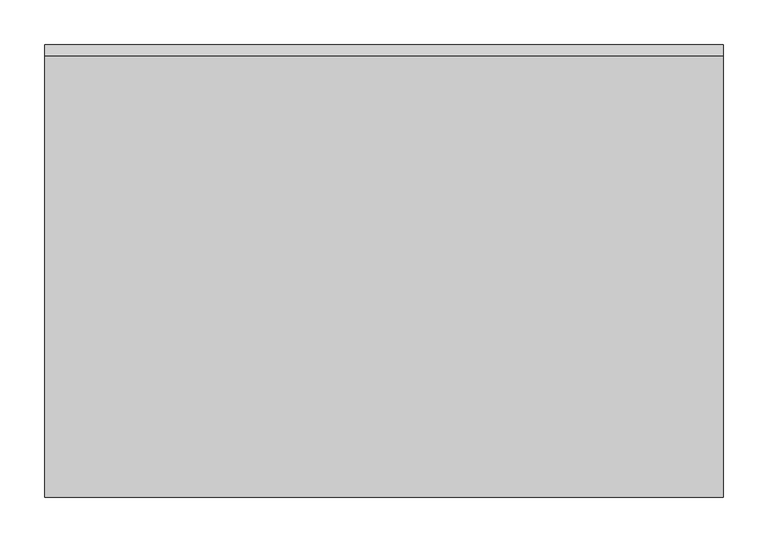
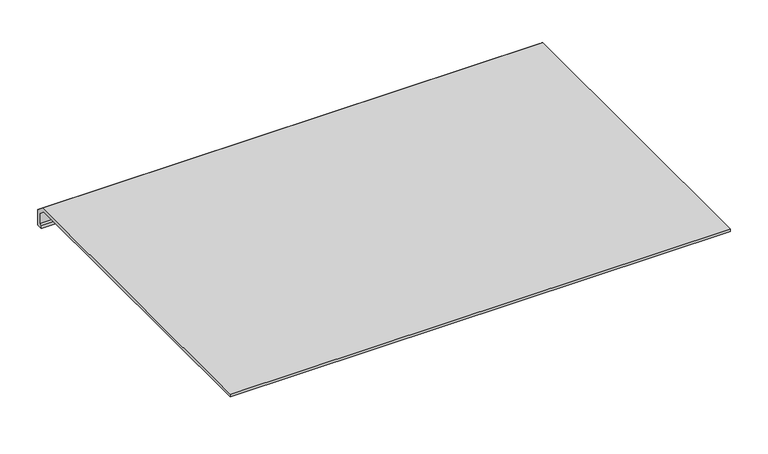
"""IFC4 building model written with IfcOpenShell, lengths in millimetres: furniture geometry."""

from ifc_helpers import new_model, si_unit, frame, origin, place, context, project, spatial, polyline, outline, extrude, source, transform, mapped, element, save


def furniture_7654c998(model_context):
    return source(origin(), model_context, "Body", "SweptSolid", [
        extrude(outline(polyline([(592.5968004, 736.8979469), (597.0693135, 736.8979469), (597.0693135, 753.5672056), (585.9028639, 762.2413128), (93.9949831, 762.2413128), (93.9949831, 767.0038128), (588.5857065, 767.0038128), (601.9949831, 756.5662454), (601.9949831, 731.9010136), (592.5968004, 731.9010136), (592.5968004, 736.8979469)])), frame((-12.7, 0.0, 0.0), z_axis=(1.0, 0.0, 0.0), x_axis=(0.0, 1.0, 0.0)), (0.0, 0.0, 1.0), 762.0),
    ])


if __name__ == "__main__":
    model = new_model("IFC4")
    model_context = context("Model", 3, world=origin())
    ifc_project = project(units=[si_unit("LENGTHUNIT", "METRE", prefix="MILLI")], contexts=[model_context])
    site = spatial("IfcSite", under=ifc_project)
    building = spatial("IfcBuilding", under=site)
    placement = place(None, origin())
    furniture_shape = furniture_7654c998(model_context)
    element("IfcFurniture", 1, at=placement, inside=building, context=model_context, shape_type="MappedRepresentation", body=[
        mapped(furniture_shape, transform((0.0, 0.0, 0.0), x_axis=(1.0, 0.0, 0.0), y_axis=(0.0, 1.0, 0.0), z_axis=(0.0, 0.0, 1.0))),
    ])
    save(model, "model.ifc")
